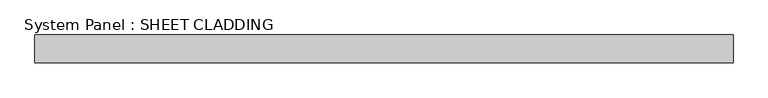
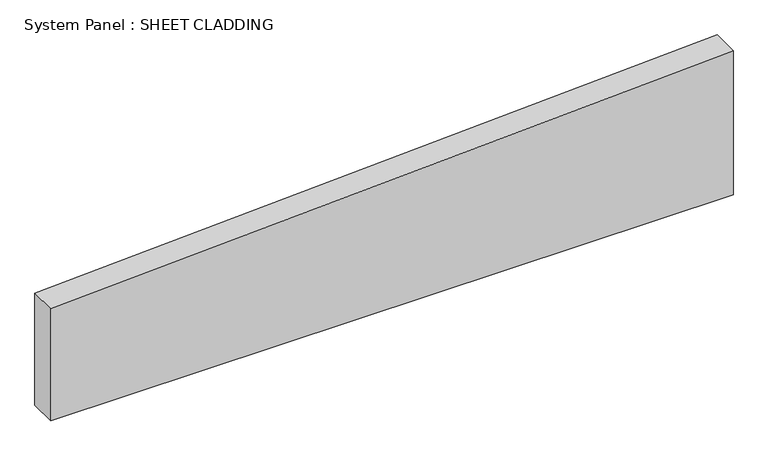
"""IFC4 building model written with IfcOpenShell, lengths in millimetres: plate geometry, System Panel : SHEET CLADDING."""

from ifc_helpers import new_model, si_unit, frame, origin, place, context, project, spatial, polyline, outline, extrude, source, transform, mapped, element, save


def system_panel_sheet_cladding_4a94d89d(model_context):
    return source(origin(), model_context, "Body", "SweptSolid", [
        extrude(outline(polyline([(0.0, -750.0), (0.0, 750.0), (335.1, 750.0), (260.1, -750.0), (0.0, -750.0)])), frame((0.0, -49.5, 0.0), z_axis=(0.0, 1.0, 0.0), x_axis=(0.0, 0.0, 1.0)), (0.0, 0.0, 1.0), 60.0),
    ])


if __name__ == "__main__":
    model = new_model("IFC4")
    model_context = context("Model", 3, world=origin())
    ifc_project = project(units=[si_unit("LENGTHUNIT", "METRE", prefix="MILLI")], contexts=[model_context])
    site = spatial("IfcSite", under=ifc_project)
    building = spatial("IfcBuilding", under=site)
    placement = place(None, origin())
    system_panel_sheet_cladding_shape = system_panel_sheet_cladding_4a94d89d(model_context)
    element("IfcPlate", 1, ObjectType="System Panel : SHEET CLADDING", at=placement, inside=building, context=model_context, shape_type="MappedRepresentation", body=[
        mapped(system_panel_sheet_cladding_shape, transform((0.0, 0.0, 0.0), x_axis=(1.0, 0.0, 0.0), y_axis=(0.0, 1.0, 0.0), z_axis=(0.0, 0.0, 1.0))),
    ])
    save(model, "model.ifc")
